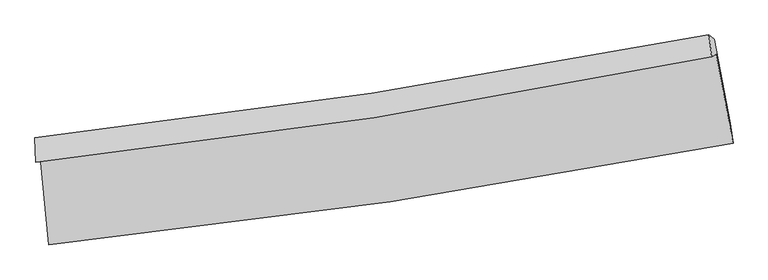
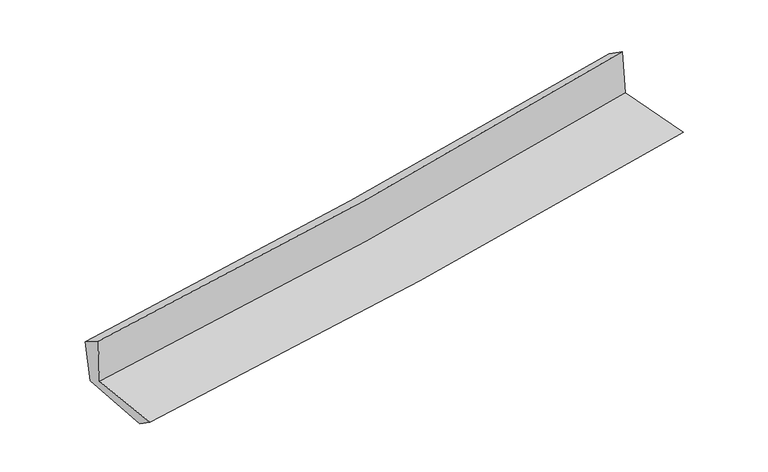
"""IFC4 building model written with IfcOpenShell, lengths in millimetres: proxy geometry."""

from ifc_helpers import new_model, si_unit, frame, origin, place, context, project, spatial, source, transform, mapped, element, save
from ifc_brep_helpers import plane_surface, spline_curve, spline_surface, advanced_brep


def generic_models_6aacd054(model_context):
    return source(origin(), model_context, "Body", "AdvancedBrep", [
        advanced_brep(
        [(-2604.1165103, -1864.1056346, 1648.8375111), (-2539.2860402, -2533.259287, 1644.9453238), (2690.3710684, -1760.3246122, 2094.2591682), (2560.9303323, -1079.9270984, 2099.7588111), (-2636.5815554, -1902.9139757, 2065.0668297), (2527.1526377, -1096.7657763, 2514.0374927), (-2644.3222158, -1716.410465, 1947.4104085), (2505.8370217, -931.0059891, 2400.8621353), (-2610.4336237, -1735.1330786, 1578.5597591), (2545.5543383, -964.7350886, 2027.4192017), (-2544.7976601, -2386.2438819, 1545.4158654), (2669.9460305, -1607.6499409, 1998.8940569)],
        [
            (0, 1),
            (1, 2, spline_curve(3, [(-2539.2860402, -2533.259287, 1644.9453238), (-1666.318116474, -2442.230691404, 1720.601069769), (-795.776374024, -2332.639952308, 1795.722985854), (947.482100906, -2075.296796143, 1945.502945159), (1820.15939454, -1927.24264357, 2020.152310491), (2690.3710684, -1760.3246122, 2094.2591682)], [4, 2, 4], [0.0, 8.620596468151351, 17.310976231864778])),
            (2, 3),
            (3, 0, spline_curve(3, [(2560.9303323, -1079.9270984, 2099.7588111), (1703.213457328, -1257.379385067, 2029.978540067), (842.186064066, -1411.623990482, 1957.34871041), (-879.549169789, -1672.64561946, 1806.996030729), (-1740.204057651, -1779.7938595, 1729.318760078), (-2604.1165103, -1864.1056346, 1648.8375111)], [4, 2, 4], [0.0, 8.690379763713427, 17.310976231864778])),
            (4, 0),
            (3, 5),
            (5, 4, spline_curve(3, [(2527.1526377, -1096.7657763, 2514.0374927), (1669.760199182, -1272.602402669, 2438.580106646), (809.004641666, -1427.888030241, 2363.287028956), (-912.293884028, -1696.275374931, 2213.632769342), (-1772.783057338, -1809.705813842, 2139.268959587), (-2636.5815554, -1902.9139757, 2065.0668297)], [4, 2, 4], [0.0, 8.641237972752636, 17.2130872559577])),
            (6, 4),
            (5, 7),
            (7, 6, spline_curve(3, [(2505.8370217, -931.0059891, 2400.8621353), (1649.160308842, -1096.465444541, 2329.606864324), (789.901556631, -1244.840793871, 2256.029935798), (-926.859490093, -1506.369018504, 2104.842224088), (-1784.320483573, -1619.795161285, 2027.268577454), (-2644.3222158, -1716.410465, 1947.4104085)], [4, 2, 4], [0.0, 8.628662025557029, 17.18803634576556])),
            (8, 6),
            (7, 9),
            (9, 8, spline_curve(3, [(2545.5543383, -964.7350886, 2027.4192017), (1688.527455217, -1132.95382684, 1955.201841079), (828.60467272, -1281.442612708, 1881.531588482), (-890.104302373, -1537.92635418, 1731.888534444), (-1748.844173769, -1646.236898056, 1655.938972889), (-2610.4336237, -1735.1330786, 1578.5597591)], [4, 2, 4], [0.0, 8.617855000239633, 17.166509074979565])),
            (10, 8),
            (9, 11),
            (11, 10, spline_curve(3, [(2669.9460305, -1607.6499409, 1998.8940569), (1801.690461661, -1771.175191023, 1925.987415652), (931.240102488, -1918.015206673, 1851.585906893), (-807.042900724, -2177.279632833, 1700.402598643), (-1674.840438638, -2289.970930885, 1623.644710308), (-2544.7976601, -2386.2438819, 1545.4158654)], [4, 2, 4], [0.0, 8.669351601253735, 17.269088761991544])),
            (1, 10),
            (11, 2),
        ],
        [
            spline_surface(3, 3, [[(-2604.1165103, -1864.1056346, 1648.8375111), (-1740.204057585, -1779.793859361, 1729.318760077), (-879.549169855, -1672.645619419, 1806.996030631), (842.186064133, -1411.623990524, 1957.34871051), (1703.21345725, -1257.37938506, 2029.978539935), (2560.9303323, -1079.9270984, 2099.7588111)], [(-2582.506353576, -2087.156852077, 1647.540115337), (-1715.575410548, -2000.606136685, 1726.412863348), (-851.62490456, -1892.643730364, 1803.238349083), (877.284743034, -1632.848259094, 1953.400122041), (1742.195436333, -1480.667137941, 2026.703130109), (2604.077244342, -1306.726269673, 2097.925596808)], [(-2560.896196924, -2310.208069523, 1646.242719563), (-1690.946763582, -2221.418413978, 1723.506966608), (-823.700639258, -2112.641841291, 1799.480667496), (912.383421943, -1854.072527646, 1949.451533533), (1781.177415389, -1703.954890804, 2023.427720257), (2647.224156358, -1533.525440927, 2096.092382492)], [(-2539.2860402, -2533.259287, 1644.9453238), (-1666.318116545, -2442.230691302, 1720.601069879), (-795.776373963, -2332.639952236, 1795.722985948), (947.482100844, -2075.296796216, 1945.502945064), (1820.159394471, -1927.242643685, 2020.152310431), (2690.3710684, -1760.3246122, 2094.2591682)]], [4, 4], [4, 2, 4], [0.0, 2.193825847144562], [0.0, 8.620596468151351, 17.310976231864778]),
            spline_surface(3, 3, [[(-2636.5815554, -1902.9139757, 2065.0668297), (-1772.783057384, -1809.705813927, 2139.268959618), (-912.293883947, -1696.27537494, 2213.632769405), (809.004641584, -1427.888030232, 2363.287028892), (1669.760199159, -1272.602402771, 2438.580106778), (2527.1526377, -1096.7657763, 2514.0374927)], [(-2625.759873702, -1889.977861981, 1926.323723503), (-1761.923390786, -1799.735162386, 2002.618893107), (-901.378979231, -1688.398789775, 2078.087189816), (820.065115785, -1422.466683671, 2227.974256101), (1680.911285187, -1267.528063527, 2302.379584514), (2538.411869231, -1091.15288366, 2375.944598851)], [(-2614.938191998, -1877.041748319, 1787.580617297), (-1751.063724183, -1789.764510902, 1865.968826588), (-890.464074571, -1680.522204584, 1942.541610219), (831.125589932, -1417.045337085, 2092.661483301), (1692.062371222, -1262.453724304, 2166.179062199), (2549.671100769, -1085.53999104, 2237.851704949)], [(-2604.1165103, -1864.1056346, 1648.8375111), (-1740.204057585, -1779.793859361, 1729.318760077), (-879.549169855, -1672.645619419, 1806.996030631), (842.186064133, -1411.623990524, 1957.34871051), (1703.21345725, -1257.37938506, 2029.978539935), (2560.9303323, -1079.9270984, 2099.7588111)]], [4, 4], [4, 2, 4], [0.0, 1.3389314896970286], [0.0, 8.571849283205063, 17.2130872559577]),
            spline_surface(3, 3, [[(-2644.3222158, -1716.410465, 1947.4104085), (-1784.320483688, -1619.795161169, 2027.268577318), (-926.859490041, -1506.36901847, 2104.842224209), (789.901556579, -1244.840793905, 2256.029935677), (1649.160308776, -1096.465444584, 2329.606864414), (2505.8370217, -931.0059891, 2400.8621353)], [(-2641.741995686, -1778.578301929, 1986.629215545), (-1780.47467494, -1683.098712117, 2064.602038063), (-922.004288008, -1569.671137266, 2141.105739271), (796.269251583, -1305.856539321, 2291.782300079), (1656.026938899, -1155.177763973, 2365.931278525), (2512.942227029, -986.259251493, 2438.587254423)], [(-2639.161775514, -1840.746138771, 2025.848022655), (-1776.628866132, -1746.402262979, 2101.935498873), (-917.14908598, -1632.973256144, 2177.369254343), (802.63694658, -1366.872284817, 2327.53466449), (1662.893569036, -1213.890083383, 2402.255692668), (2520.047432371, -1041.512513907, 2476.312373577)], [(-2636.5815554, -1902.9139757, 2065.0668297), (-1772.783057384, -1809.705813927, 2139.268959618), (-912.293883947, -1696.27537494, 2213.632769405), (809.004641584, -1427.888030232, 2363.287028892), (1669.760199159, -1272.602402771, 2438.580106778), (2527.1526377, -1096.7657763, 2514.0374927)]], [4, 4], [4, 2, 4], [0.0, 0.7091098670175606], [0.0, 8.559374320208532, 17.18803634576556]),
            spline_surface(3, 3, [[(-2610.4336237, -1735.1330786, 1578.5597591), (-1748.84417387, -1646.236898011, 1655.938972955), (-890.104302376, -1537.926354051, 1731.888534548), (828.604672723, -1281.442612838, 1881.531588377), (1688.527455261, -1132.953826786, 1955.201840943), (2545.5543383, -964.7350886, 2027.4192017)], [(-2621.729821059, -1728.892207382, 1701.509975584), (-1760.669610469, -1637.422985712, 1779.71550776), (-902.3560316, -1527.407242192, 1856.206431087), (815.703634006, -1269.242006529, 2006.364370795), (1675.405073117, -1120.791032722, 2080.003515416), (2532.315232785, -953.492055436, 2151.900179549)], [(-2633.026018441, -1722.651336218, 1824.460192016), (-1772.495047089, -1628.609073467, 1903.492042513), (-914.607760817, -1516.888130329, 1980.52432767), (802.802595296, -1257.041400215, 2131.197153258), (1662.282690919, -1108.628238649, 2204.805189941), (2519.076127215, -942.249022264, 2276.381157451)], [(-2644.3222158, -1716.410465, 1947.4104085), (-1784.320483688, -1619.795161169, 2027.268577318), (-926.859490041, -1506.36901847, 2104.842224209), (789.901556579, -1244.840793905, 2256.029935677), (1649.160308776, -1096.465444584, 2329.606864414), (2505.8370217, -931.0059891, 2400.8621353)]], [4, 4], [4, 2, 4], [0.0, 1.2374579841226732], [0.0, 8.548654074739932, 17.166509074979565]),
            spline_surface(3, 3, [[(-2544.7976601, -2386.2438819, 1545.4158654), (-1674.84043866, -2289.970930966, 1623.644710193), (-807.042900842, -2177.27963297, 1700.402598686), (931.240102607, -1918.015206535, 1851.58590685), (1801.690461653, -1771.175190914, 1925.987415578), (2669.9460305, -1607.6499409, 1998.8940569)], [(-2566.676314612, -2169.206947453, 1556.463829945), (-1699.508350376, -2075.392919968, 1634.409464425), (-834.730034687, -1964.161873349, 1710.897910652), (897.028292645, -1705.824341987, 1861.567800704), (1763.969459526, -1558.434736223, 1935.725557392), (2628.482133104, -1393.344990151, 2008.402438526)], [(-2588.554969188, -1952.170013047, 1567.511794555), (-1724.176262154, -1860.81490901, 1645.174218722), (-862.417168531, -1751.044113672, 1721.393222583), (862.816482685, -1493.633477385, 1871.549694523), (1726.248457388, -1345.694281478, 1945.463699128), (2587.018235696, -1179.040039349, 2017.910820074)], [(-2610.4336237, -1735.1330786, 1578.5597591), (-1748.84417387, -1646.236898011, 1655.938972955), (-890.104302376, -1537.926354051, 1731.888534548), (828.604672723, -1281.442612838, 1881.531588377), (1688.527455261, -1132.953826786, 1955.201840943), (2545.5543383, -964.7350886, 2027.4192017)]], [4, 4], [4, 2, 4], [0.0, 2.117504918990452], [0.0, 8.599737160737808, 17.269088761991544]),
            spline_surface(3, 3, [[(-2539.2860402, -2533.259287, 1644.9453238), (-1666.318116545, -2442.230691302, 1720.601069879), (-795.776373963, -2332.639952236, 1795.722985948), (947.482100844, -2075.296796216, 1945.502945064), (1820.159394471, -1927.242643685, 2020.152310431), (2690.3710684, -1760.3246122, 2094.2591682)], [(-2541.123246864, -2484.254151978, 1611.768837686), (-1669.158890614, -2391.477437868, 1688.282283336), (-799.531882937, -2280.85317914, 1763.949523517), (942.068101417, -2022.869599648, 1914.19726565), (1814.003083508, -1875.220159415, 1988.764012123), (2683.562722409, -1709.433055087, 2062.470797743)], [(-2542.960453436, -2435.249016922, 1578.592351514), (-1671.999664591, -2340.724184401, 1655.963496736), (-803.287391867, -2229.066406066, 1732.176061116), (936.654102034, -1970.442403102, 1882.891586264), (1807.846772617, -1823.197675184, 1957.375713886), (2676.754376491, -1658.541498013, 2030.682427357)], [(-2544.7976601, -2386.2438819, 1545.4158654), (-1674.84043866, -2289.970930966, 1623.644710193), (-807.042900842, -2177.27963297, 1700.402598686), (931.240102607, -1918.015206535, 1851.58590685), (1801.690461653, -1771.175190914, 1925.987415578), (2669.9460305, -1607.6499409, 1998.8940569)]], [4, 4], [4, 2, 4], [0.0, 0.6012088740789275], [0.0, 8.659221270164007, 17.388538501722998]),
            plane_surface(frame((2583.2985715, -1240.0680843, 2189.2051443), z_axis=(0.978755846719559, 0.1854952863985761, 0.08734123445538108), x_axis=(-0.10533402357585374, 0.08945271408137391, 0.9904054500156981))),
            plane_surface(frame((-2596.5896009, -2023.0110538, 1738.3726163), z_axis=(-0.9916775525083446, -0.0955762268087128, -0.0862601687922598), x_axis=(-0.09643113545413955, 0.9953228216150644, 0.0057893771039917346))),
        ],
        [
            (0, [[1, 2, 3, 4]]),
            (1, [[5, -4, 6, 7]]),
            (2, [[8, -7, 9, 10]]),
            (3, [[11, -10, 12, 13]]),
            (4, [[14, -13, 15, 16]]),
            (5, [[17, -16, 18, -2]]),
            (6, [[-12, -9, -6, -3, -18, -15]]),
            (7, [[-1, -5, -8, -11, -14, -17]]),
        ],
    ),
    ])


if __name__ == "__main__":
    model = new_model("IFC4")
    model_context = context("Model", 3, world=origin())
    ifc_project = project(units=[si_unit("LENGTHUNIT", "METRE", prefix="MILLI")], contexts=[model_context])
    site = spatial("IfcSite", under=ifc_project)
    building = spatial("IfcBuilding", under=site)
    placement = place(None, origin())
    generic_models_shape = generic_models_6aacd054(model_context)
    element("IfcBuildingElementProxy", 1, Name="Generic Models", at=placement, inside=building, context=model_context, shape_type="MappedRepresentation", body=[
        mapped(generic_models_shape, transform((0.0, 0.0, 0.0), x_axis=(1.0, 0.0, 0.0), y_axis=(0.0, 1.0, 0.0), z_axis=(0.0, 0.0, 1.0))),
    ])
    save(model, "model.ifc")
